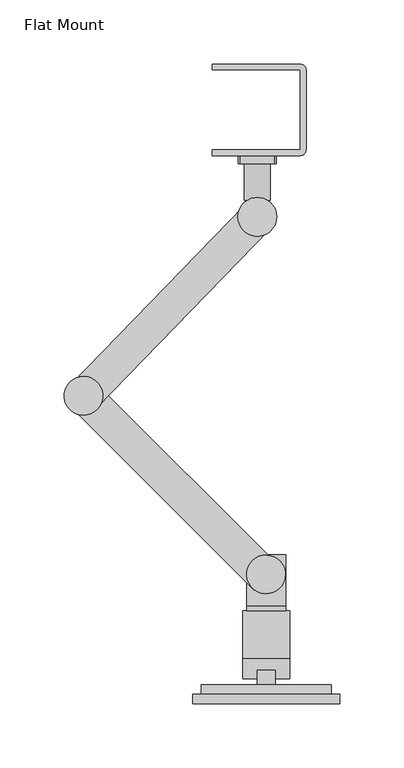
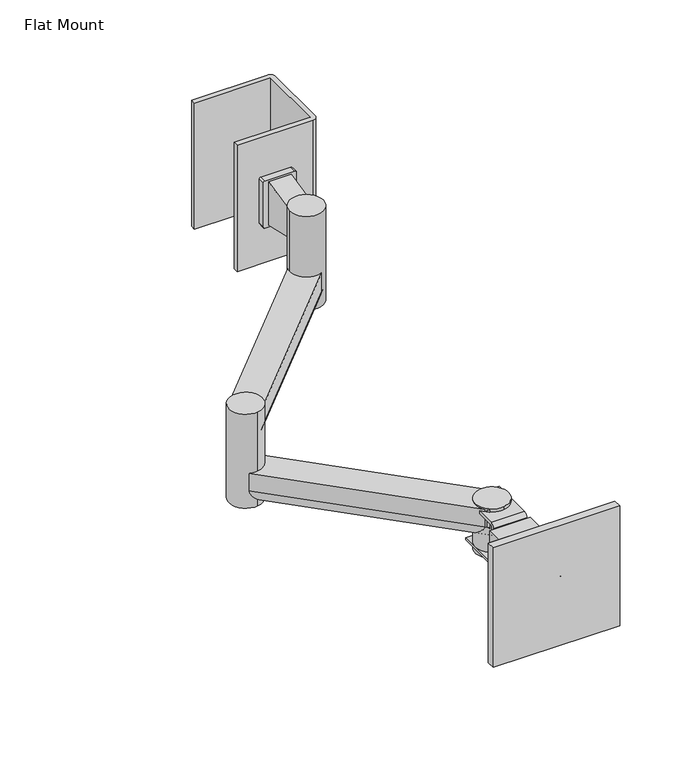
"""IFC4 building model written with IfcOpenShell, lengths in millimetres: furniture geometry, Flat Mount."""

from ifc_helpers import new_model, si_unit, point, frame, frame_2d, origin, place, context, project, spatial, polyline, circle_curve, trimmed, segment, composite_curve, outline, extrude, source, transform, mapped, element, save


def flat_mount_03d05302(model_context):
    return source(origin(), model_context, "Body", "SweptSolid", [
        extrude(outline(composite_curve([segment(polyline([(-389.6409053, 1292.9611026), (-389.6409053, 1261.2111026), (-426.8576826, 1261.2111026)]), True, "CONTINUOUS"), segment(trimmed(circle_curve(frame_2d((-426.8576826, 1277.0861026)), 15.875), [point((-426.8576826, 1261.2111026))], [point((-426.8576826, 1292.9611026))], False, "CARTESIAN"), True, "CONTINUOUS"), segment(polyline([(-426.8576826, 1292.9611026), (-389.6409053, 1292.9611026)]), True, "CONTINUOUS")], self_intersect=False)), frame((-12.7666663, 0.0, 0.0), z_axis=(1.0, 0.0, 0.0), x_axis=(0.0, 1.0, 0.0)), (0.0, 0.0, 1.0), 36.5124992),
        extrude(outline(polyline([(-41.0850005, 1415.0991022), (-41.0850005, 1373.3483917), (-69.5686317, 1379.8891568), (-69.5686317, 1408.5583371), (-41.0850005, 1415.0991022)])), frame((-11.6205971, 0.0, 0.0), z_axis=(1.0, 0.0, 0.0), x_axis=(0.0, 1.0, 0.0)), (0.0, 0.0, 1.0), 20.3199965),
        extrude(outline(composite_curve([segment(trimmed(circle_curve(frame_2d((1415.3984719, -15.0534181)), 1.3042809), [point((1416.7027528, -15.0534181))], [point((1415.3984719, -16.3576989))], False, "CARTESIAN"), True, "CONTINUOUS"), segment(polyline([(1415.3984719, -16.3576989), (1373.01474, -16.3576989)]), True, "CONTINUOUS"), segment(trimmed(circle_curve(frame_2d((1373.01474, -15.0877001)), 1.2699988), [point((1373.01474, -16.3576989))], [point((1371.7447412, -15.0877001))], False, "CARTESIAN"), True, "CONTINUOUS"), segment(polyline([(1371.7447412, -15.0877001), (1371.7447412, 12.1322193)]), True, "CONTINUOUS"), segment(trimmed(circle_curve(frame_2d((1373.049022, 12.1322193)), 1.3042809), [point((1371.7447412, 12.1322193))], [point((1373.049022, 13.4365002))], False, "CARTESIAN"), True, "CONTINUOUS"), segment(polyline([(1373.049022, 13.4365002), (1415.3984719, 13.4365002)]), True, "CONTINUOUS"), segment(trimmed(circle_curve(frame_2d((1415.3984719, 12.1322193)), 1.3042809), [point((1415.3984719, 13.4365002))], [point((1416.7027528, 12.1322193))], False, "CARTESIAN"), True, "CONTINUOUS"), segment(polyline([(1416.7027528, 12.1322193), (1416.7027528, -15.0534181)]), True, "CONTINUOUS")], self_intersect=False)), frame((0.0, -41.0850005, 0.0), z_axis=(0.0, 1.0, 0.0), x_axis=(0.0, 0.0, 1.0)), (0.0, 0.0, 1.0), 6.3505004),
        extrude(outline(composite_curve([segment(polyline([(-36.6014, 31.9659002), (-36.6014, 36.5125), (32.0547984, 36.5125)]), True, "CONTINUOUS"), segment(trimmed(circle_curve(frame_2d((32.0547984, 31.9658984)), 4.5466016), [point((32.0547984, 36.5125))], [point((36.6014, 31.9658984))], False, "CARTESIAN"), True, "CONTINUOUS"), segment(polyline([(36.6014, 31.9658984), (36.6014, -30.1878986)]), True, "CONTINUOUS"), segment(trimmed(circle_curve(frame_2d((32.0547984, -30.1878986)), 4.5466016), [point((36.6014, -30.1878986))], [point((32.0547984, -34.7345002))], False, "CARTESIAN"), True, "CONTINUOUS"), segment(polyline([(32.0547984, -34.7345002), (-36.6014, -34.7345002), (-36.6014, -30.1879004), (32.0547984, -30.1879004), (32.0547984, 31.9659002), (-36.6014, 31.9659002)]), True, "CONTINUOUS")], self_intersect=False)), frame((0.0, 0.0, 1333.8986985), z_axis=(0.0, 0.0, 1.0), x_axis=(1.0, 0.0, 0.0)), (0.0, 0.0, 1.0), 120.65),
        extrude(outline(polyline([(-51.6604133, -454.7278845), (62.6395834, -454.7278845), (62.6395834, -462.2684853), (-51.6604133, -462.2684853), (-51.6604133, -454.7278845)])), frame((0.0, 0.0, 1219.962), z_axis=(0.0, 0.0, 1.0), x_axis=(1.0, 0.0, 0.0)), (0.0, 0.0, 1.0), 114.3),
        extrude(outline(polyline([(-45.3104193, -447.1872474), (56.2895837, -447.1872474), (56.2895837, -454.7278845), (-45.3104193, -454.7278845), (-45.3104193, -447.1872474)])), frame((0.0, 0.0, 1226.6752046), z_axis=(0.0, 0.0, 1.0), x_axis=(1.0, 0.0, 0.0)), (0.0, 0.0, 1.0), 101.6000484),
        extrude(outline(polyline([(12.6333322, -447.1872474), (-1.654169, -447.1872474), (-1.654169, -425.5580928), (12.6333322, -425.5580928), (12.6333322, -447.1872474)])), frame((0.0, 0.0, 1263.6182016), z_axis=(0.0, 0.0, 1.0), x_axis=(1.0, 0.0, 0.0)), (0.0, 0.0, 1.0), 26.9874516),
        extrude(outline(composite_curve([segment(polyline([(-385.8385211, 1297.5587171), (-346.0665302, 1297.5587171), (-346.0665302, 1295.2803678), (-387.3625197, 1295.2803678), (-387.3625197, 1258.9431962), (-346.0665302, 1258.9431962), (-346.0665302, 1256.6647016), (-385.8385211, 1256.6647016)]), True, "CONTINUOUS"), segment(trimmed(circle_curve(frame_2d((-385.8385211, 1260.4670858)), 3.8023842), [point((-385.8385211, 1256.6647016))], [point((-389.6409053, 1260.4670858))], False, "CARTESIAN"), True, "CONTINUOUS"), segment(polyline([(-389.6409053, 1260.4670858), (-389.6409053, 1293.7563329)]), True, "CONTINUOUS"), segment(trimmed(circle_curve(frame_2d((-385.8385211, 1293.7563329)), 3.8023842), [point((-389.6409053, 1293.7563329))], [point((-385.8385211, 1297.5587171))], False, "CARTESIAN"), True, "CONTINUOUS")], self_intersect=False)), frame((-9.6095914, 0.0, 0.0), z_axis=(1.0, 0.0, 0.0), x_axis=(0.0, 1.0, 0.0)), (0.0, 0.0, 1.0), 30.2089437),
        extrude(outline(composite_curve([segment(trimmed(circle_curve(frame_2d((5.3931384, -361.3389641)), 15.08125), [point((2.7743068, -346.4868322))], [point((8.0119699, -376.1910961))], False, "CARTESIAN"), True, "CONTINUOUS"), segment(trimmed(circle_curve(frame_2d((5.3931384, -361.3389641)), 15.08125), [point((8.0119699, -376.1910961))], [point((2.7743068, -346.4868322))], False, "CARTESIAN"), True, "CONTINUOUS")], self_intersect=False)), frame((0.0, 0.0, 1253.5407643), z_axis=(0.0, 0.0, 1.0), x_axis=(1.0, 0.0, 0.0)), (0.0, 0.0, 1.0), 47.2439186),
        extrude(outline(composite_curve([segment(polyline([(395.6684569, 13.8435794), (395.6684569, -13.1439206), (378.8252654, -13.1439206)]), True, "CONTINUOUS"), segment(trimmed(circle_curve(frame_2d((378.8252654, 0.3498293)), 13.49375), [point((378.8252654, -13.1439206))], [point((378.8252654, 13.8435794))], False, "CARTESIAN"), True, "CONTINUOUS"), segment(polyline([(378.8252654, 13.8435794), (395.6684569, 13.8435794)]), True, "CONTINUOUS")], self_intersect=False)), frame((5.3931384, -364.5221326, 904.14576), z_axis=(-0.7071067811865458, 0.7071067811865492, 0.0), x_axis=(0.0, 0.0, 1.0)), (0.0, 0.0, 1.0), 201.4214386),
        extrude(outline(composite_curve([segment(trimmed(circle_curve(frame_2d((-137.0333267, -222.0515625)), 15.08125), [point((-139.6521583, -207.1994306))], [point((-134.4144951, -236.9036944))], False, "CARTESIAN"), True, "CONTINUOUS"), segment(trimmed(circle_curve(frame_2d((-137.0333267, -222.0515625)), 15.08125), [point((-134.4144951, -236.9036944))], [point((-139.6521583, -207.1994306))], False, "CARTESIAN"), True, "CONTINUOUS")], self_intersect=False)), frame((0.0, 0.0, 1266.842714), z_axis=(0.0, 0.0, 1.0), x_axis=(1.0, 0.0, 0.0)), (0.0, 0.0, 1.0), 89.7889961),
        extrude(outline(composite_curve([segment(polyline([(755.443387, 13.8435795), (755.443387, -13.1439206), (738.2519252, -13.1439206)]), True, "CONTINUOUS"), segment(trimmed(circle_curve(frame_2d((738.2519252, 0.3498295)), 13.49375), [point((738.2519252, -13.1439206))], [point((738.2519252, 13.8435795))], False, "CARTESIAN"), True, "CONTINUOUS"), segment(polyline([(738.2519252, 13.8435795), (755.443387, 13.8435795)]), True, "CONTINUOUS")], self_intersect=False)), frame((-137.0333267, -222.0515625, 600.0832365), z_axis=(0.696067011435572, 0.7179768210681674, 0.0), x_axis=(0.0, 0.0, 1.0)), (0.0, 0.0, 1.0), 194.2981422),
        extrude(outline(composite_curve([segment(trimmed(circle_curve(frame_2d((-1.4243884, -82.55)), 15.08125), [point((-16.5056384, -82.55))], [point((13.6568616, -82.55))], False, "CARTESIAN"), True, "CONTINUOUS"), segment(trimmed(circle_curve(frame_2d((-1.4243884, -82.55)), 15.08125), [point((13.6568616, -82.55))], [point((-16.5056384, -82.55))], False, "CARTESIAN"), True, "CONTINUOUS")], self_intersect=False)), frame((0.0, 0.0, 1323.992714), z_axis=(0.0, 0.0, 1.0), x_axis=(1.0, 0.0, 0.0)), (0.0, 0.0, 1.0), 89.7889961),
    ])


if __name__ == "__main__":
    model = new_model("IFC4")
    model_context = context("Model", 3, world=origin())
    ifc_project = project(units=[si_unit("LENGTHUNIT", "METRE", prefix="MILLI")], contexts=[model_context])
    site = spatial("IfcSite", under=ifc_project)
    building = spatial("IfcBuilding", under=site)
    placement = place(None, origin())
    flat_mount_shape = flat_mount_03d05302(model_context)
    element("IfcFurniture", 1, ObjectType="Flat Mount", at=placement, inside=building, context=model_context, shape_type="MappedRepresentation", body=[
        mapped(flat_mount_shape, transform((0.0, 0.0, 0.0), x_axis=(1.0, 0.0, 0.0), y_axis=(0.0, 1.0, 0.0), z_axis=(0.0, 0.0, 1.0))),
    ])
    save(model, "model.ifc")
